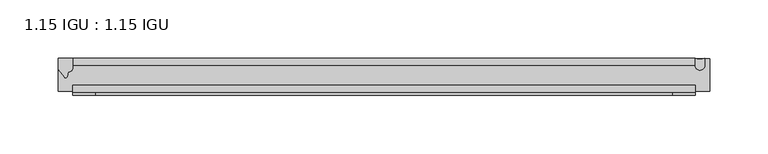
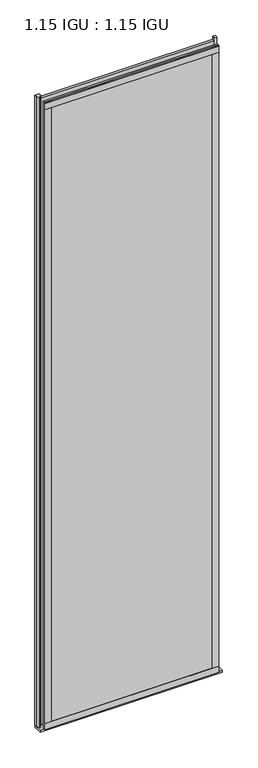
"""IFC4 building model written with IfcOpenShell, lengths in millimetres: plate geometry, 1.15 IGU : 1.15 IGU."""

from ifc_helpers import new_model, si_unit, point, frame, frame_2d, origin, place, context, project, spatial, polyline, circle_curve, ellipse_curve, trimmed, segment, composite_curve, outline, extrude, source, transform, mapped, element, save
from ifc_brep_helpers import plane_surface, revolved_surface, extruded_surface, advanced_brep


def plate_1_15_igu_1_15_igu_cf60ddc1(model_context):
    return source(origin(), model_context, "Body", "SolidModel", [
        extrude(outline(polyline([(267.4388701, 0.0), (267.4388701, -6.2992), (-267.4388701, -6.2992), (-267.4388701, 0.0), (267.4388701, 0.0)])), frame((0.0, 0.0, -19.05), z_axis=(0.0, 0.0, 1.0), x_axis=(1.0, 0.0, 0.0)), (0.0, 0.0, 1.0), 2041.5250001),
        extrude(outline(polyline([(-267.4388701, -23.1648), (267.4388701, -23.1648), (267.4388701, -29.464), (-267.4388701, -29.464), (-267.4388701, -23.1648)])), frame((0.0, 0.0, -19.05), z_axis=(0.0, 0.0, 1.0), x_axis=(1.0, 0.0, 0.0)), (0.0, 0.0, 1.0), 2041.5250001),
        advanced_brep(
        [(275.6883414, -0.0025551, -19.05), (275.6883414, -6.2992, -19.05), (267.4443988, -6.2992, -19.05), (267.4388701, 0.0, -19.05), (275.6883414, -0.0025551, 2032.7874001), (267.4388701, 0.0, 2032.7874001), (267.4388701, -6.2992, 2032.7874001), (275.6883414, -6.2992, 2032.7874001)],
        [
            (0, 1),
            (1, 2, ellipse_curve(frame((271.5663701, -6.2992, -19.05), z_axis=(0.0, 0.0, -1.0), x_axis=(-1.0, 0.0, 0.0)), 4.1219713, 4.1275)),
            (2, 3),
            (3, 0, circle_curve(frame((271.5663701, 8.9239208, -19.05), z_axis=(0.0, 0.0, 1.0), x_axis=(1.0, 0.0, 0.0)), 9.8322235)),
            (4, 5, circle_curve(frame((271.5663701, 8.9239208, 2032.7874001), z_axis=(0.0, 0.0, -1.0), x_axis=(1.0, 0.0, 0.0)), 9.8322235)),
            (5, 6),
            (6, 7, ellipse_curve(frame((271.5663701, -6.2992, 2032.7874001), z_axis=(0.0, 0.0, 1.0), x_axis=(-1.0, 0.0, 0.0)), 4.1219713, 4.1275)),
            (7, 4),
            (2, 6),
            (5, 3),
            (0, 4),
            (7, 1),
        ],
        [
            plane_surface(frame((280.1388701, 0.0, -19.05), z_axis=(0.0, 0.0, -1.0), x_axis=(0.0, 1.0, 0.0))),
            plane_surface(frame((280.1388701, 0.0, 2032.7874001), z_axis=(0.0, 0.0, 1.0), x_axis=(0.0, 1.0, 0.0))),
            plane_surface(frame((267.4388701, -6.2992, -19.05), z_axis=(-1.0, 0.0, 0.0), x_axis=(0.0, 0.0, 1.0))),
            plane_surface(frame((275.6883414, -0.0025551, -19.05), z_axis=(1.0, 0.0, 0.0), x_axis=(0.0, 0.0, 1.0))),
            revolved_surface(polyline([(281.39859359999997, 8.9239208, 2032.7874001000002), (281.39859359999997, 8.9239208, -19.05)]), (271.5663701, 8.9239208, -19.05), (0.0, 0.0, 1.0)),
            extruded_surface(trimmed(ellipse_curve(frame((271.5663701, -6.2992, 2032.7874001), z_axis=(0.0, 0.0, -1.0), x_axis=(-1.0, 0.0, 0.0)), 4.1219713, 4.1275), [point((275.6883414, -6.2992, 2032.7874001))], [point((267.4443988, -6.2992, 2032.7874001))], True, "CARTESIAN"), (0.0, 0.0, -2051.8374001), 2051.8374001),
        ],
        [
            (0, [[1, 2, 3, 4]]),
            (1, [[5, 6, 7, 8]]),
            (2, [[-3, 9, -6, 10]]),
            (3, [[-1, 11, -8, 12]]),
            (4, [[-4, -10, -5, -11]]),
            (5, [[-2, -12, -7, -9]]),
        ],
    ),
        extrude(outline(composite_curve([segment(trimmed(circle_curve(frame_2d((10.9021792, -22.6833935)), 11.4916952), [point((0.0, -19.05))], [point((-0.2638007, -25.4))], True, "CARTESIAN"), True, "CONTINUOUS"), segment(polyline([(-0.2638007, -25.4), (-27.9952564, -25.4), (-27.9952564, -19.05), (0.0, -19.05)]), True, "CONTINUOUS")], self_intersect=False)), frame((-280.1388701, 0.0, 0.0), z_axis=(1.0, 0.0, 0.0), x_axis=(0.0, 1.0, 0.0)), (0.0, 0.0, 1.0), 560.2777402),
        extrude(outline(composite_curve([segment(polyline([(-267.4388701, 8.8e-06), (-267.4388701, -7.7683362)]), True, "CONTINUOUS"), segment(trimmed(circle_curve(frame_2d((-271.410368, -7.7683362)), 3.9714979), [point((-267.4388701, -7.7683362))], [point((-271.5378198, -11.7377885))], False, "CARTESIAN"), True, "CONTINUOUS"), segment(polyline([(-271.5378198, -11.7377885), (-272.5178544, -16.012436)]), True, "CONTINUOUS"), segment(trimmed(circle_curve(frame_2d((-273.6190634, -15.7723555)), 1.1270758), [point((-272.5178544, -16.012436))], [point((-274.5729028, -16.372764))], False, "CARTESIAN"), True, "CONTINUOUS"), segment(polyline([(-274.5729028, -16.372764), (-280.1388701, -9.7395025), (-280.1388701, 8.8e-06), (-267.4388701, 8.8e-06)]), True, "CONTINUOUS")], self_intersect=False)), frame((0.0, 0.0, -19.05), z_axis=(0.0, 0.0, 1.0), x_axis=(1.0, 0.0, 0.0)), (0.0, 0.0, 1.0), 2051.8374001),
        extrude(outline(polyline([(-267.4388701, -31.75), (-267.4388701, -29.464), (267.4388701, -29.464), (267.4388701, -31.75), (-267.4388701, -31.75)])), frame((0.0, 0.0, -19.05), z_axis=(0.0, 0.0, 1.0), x_axis=(1.0, 0.0, 0.0)), (0.0, 0.0, 1.0), 19.05),
        extrude(outline(polyline([(-267.4388701, -31.75), (-267.4388701, -29.464), (267.4388701, -29.464), (267.4388701, -31.75), (-267.4388701, -31.75)])), frame((0.0, 0.0, 2000.2500001), z_axis=(0.0, 0.0, 1.0), x_axis=(1.0, 0.0, 0.0)), (0.0, 0.0, 1.0), 19.05),
        extrude(outline(polyline([(248.3888701, -29.464), (267.4388701, -29.464), (267.4388701, -31.75), (248.3888701, -31.75), (248.3888701, -29.464)])), frame((0.0, 0.0, -19.05), z_axis=(0.0, 0.0, 1.0), x_axis=(1.0, 0.0, 0.0)), (0.0, 0.0, 1.0), 2041.5250001),
        extrude(outline(polyline([(-267.4388701, -31.75), (-267.4388701, -29.464), (-248.3888701, -29.464), (-248.3888701, -31.75), (-267.4388701, -31.75)])), frame((0.0, 0.0, -19.05), z_axis=(0.0, 0.0, 1.0), x_axis=(1.0, 0.0, 0.0)), (0.0, 0.0, 1.0), 2041.5250001),
    ])


if __name__ == "__main__":
    model = new_model("IFC4")
    model_context = context("Model", 3, world=origin())
    ifc_project = project(units=[si_unit("LENGTHUNIT", "METRE", prefix="MILLI")], contexts=[model_context])
    site = spatial("IfcSite", under=ifc_project)
    building = spatial("IfcBuilding", under=site)
    placement = place(None, origin())
    plate_1_15_igu_1_15_igu_shape = plate_1_15_igu_1_15_igu_cf60ddc1(model_context)
    element("IfcPlate", 1, ObjectType="1.15 IGU : 1.15 IGU", at=placement, inside=building, context=model_context, shape_type="MappedRepresentation", body=[
        mapped(plate_1_15_igu_1_15_igu_shape, transform((0.0, 0.0, 0.0), x_axis=(1.0, 0.0, 0.0), y_axis=(0.0, 1.0, 0.0), z_axis=(0.0, 0.0, 1.0))),
    ])
    save(model, "model.ifc")
